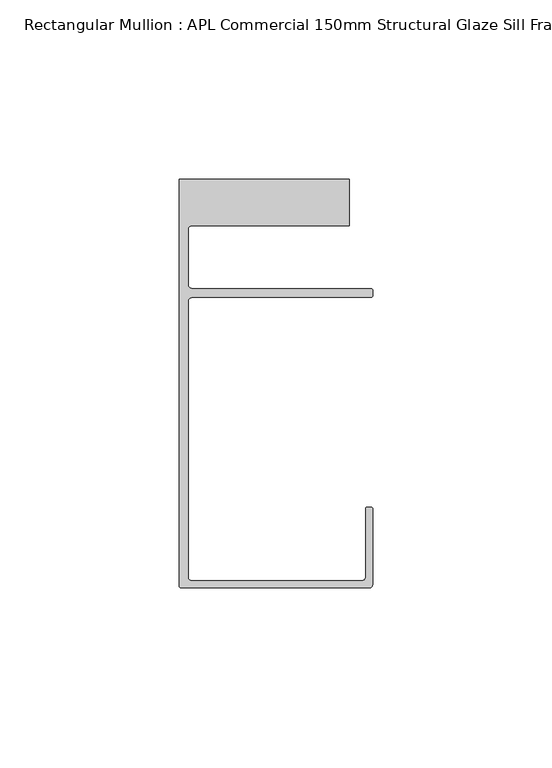
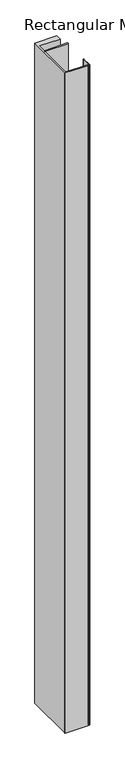
"""IFC4 building model written with IfcOpenShell, lengths in millimetres: member geometry, Rectangular Mullion : APL Commercial 150mm Structural Glaze Sill Frame (Back)."""

from ifc_helpers import new_model, si_unit, frame, origin, place, context, project, spatial, polyline, circle_curve, source, transform, mapped, element, save
from ifc_brep_helpers import plane_surface, cylinder_surface, revolved_surface, advanced_brep


def rectangular_mullion_apl_commercial_150mm_structural_glaze_9b2f5f79(model_context):
    return source(origin(), model_context, "Body", "AdvancedBrep", [
        advanced_brep(
        [(-53.5000083, -129.0001071, 0.0), (-1.0000079, -129.0001071, 0.0), (-7.9e-06, -128.0001071, 0.0), (0.0, -107.0001071, 0.0), (-0.5, -106.5001071, 0.0), (-1.4999822, -106.5001071, 0.0), (-1.9999822, -107.0001071, 0.0), (-1.9999982, -126.0001071, 0.0), (-2.9999982, -127.0001071, 0.0), (-50.5000083, -127.00011, 0.0), (-51.5000083, -126.00011, 0.0), (-51.5000225, -48.9999541, 0.0), (-50.482081, -48.000115, 0.0), (-0.5000012, -48.000115, 0.0), (-5.4e-06, -47.5021598, 0.0), (-5.4e-06, -46.0213357, 0.0), (-0.521387, -45.4999541, 0.0), (-50.500032, -45.4999541, 0.0), (-51.500032, -44.4999541, 0.0), (-51.500032, -29.0004332, 0.0), (-50.500032, -28.0004332, 0.0), (-6.5000083, -28.0004332, 0.0), (-6.5000083, -15.0004332, 0.0), (-54.0000083, -15.0004332, 0.0), (-54.0000083, -128.5001071, 0.0), (-53.5000083, -129.0001071, -1524.000019), (-54.0000083, -128.5001071, -1524.000019), (-54.0000083, -15.0004332, -1524.000019), (-6.5000083, -15.0004332, -1524.000019), (-6.5000083, -28.0004332, -1524.000019), (-50.500032, -28.0004332, -1524.000019), (-51.500032, -29.0004332, -1524.000019), (-51.500032, -44.4999541, -1524.000019), (-50.500032, -45.4999541, -1524.000019), (-0.521387, -45.4999541, -1524.000019), (-5.4e-06, -46.0213357, -1524.000019), (-5.4e-06, -47.5021598, -1524.000019), (-0.5000012, -48.000115, -1524.000019), (-50.482081, -48.000115, -1524.000019), (-51.5000225, -48.9999541, -1524.000019), (-51.5000225, -126.00011, -1524.000019), (-50.5000083, -127.00011, -1524.000019), (-2.9999982, -127.00011, -1524.000019), (-1.9999982, -126.0001071, -1524.000019), (-1.9999982, -107.0001071, -1524.000019), (-1.4999822, -106.5001071, -1524.000019), (-0.5, -106.5001071, -1524.000019), (0.0, -107.0001071, -1524.000019), (0.0, -128.0001071, -1524.000019), (-1.0000079, -129.0001071, -1524.000019)],
        [
            (0, 1),
            (1, 2, circle_curve(frame((-1.0000079, -128.0001071, 0.0), z_axis=(0.0, 0.0, 1.0), x_axis=(0.9999999999996143, -8.78371761103865e-07, 0.0)), 1.0)),
            (2, 3),
            (3, 4, circle_curve(frame((-0.5, -107.0001071, 0.0), z_axis=(0.0, 0.0, 1.0), x_axis=(0.0, 1.0, 0.0)), 0.5)),
            (4, 5),
            (5, 6, circle_curve(frame((-1.4999822, -107.0001071, 0.0), z_axis=(0.0, 0.0, 1.0), x_axis=(-1.0, 1.039279773351609e-08, 0.0)), 0.5)),
            (6, 7),
            (7, 8, circle_curve(frame((-2.9999982, -126.0001071, 0.0), z_axis=(0.0, 0.0, -1.0), x_axis=(0.0, -1.0, 0.0)), 1.0)),
            (8, 9),
            (9, 10, circle_curve(frame((-50.5000083, -126.00011, 0.0), z_axis=(0.0, 0.0, -1.0), x_axis=(-1.0, -3.636202450239078e-12, 0.0)), 1.0)),
            (10, 11),
            (11, 12, circle_curve(frame((-50.5000225, -48.9999541, 0.0), z_axis=(0.0, 0.0, -1.0), x_axis=(3.5344775231070867e-06, 0.9999999999937538, 0.0)), 1.0)),
            (12, 13),
            (13, 14, circle_curve(frame((-0.5000012, -47.500115, 0.0), z_axis=(0.0, 0.0, 1.0), x_axis=(0.9999999999999991, 4.5120271963110614e-08, 0.0)), 0.5)),
            (14, 15),
            (15, 16, circle_curve(frame((-0.521387, -46.0213357, 0.0), z_axis=(0.0, 0.0, 1.0), x_axis=(-1.0, 0.0, 0.0)), 0.5213816)),
            (16, 17),
            (17, 18, circle_curve(frame((-50.500032, -44.4999541, 0.0), z_axis=(0.0, 0.0, -1.0), x_axis=(-0.9999999999998819, -4.863123717036027e-07, 0.0)), 1.0)),
            (18, 19),
            (19, 20, circle_curve(frame((-50.500032, -29.0004332, 0.0), z_axis=(0.0, 0.0, -1.0), x_axis=(0.0, 1.0, 0.0)), 1.0)),
            (20, 21),
            (21, 22),
            (22, 23),
            (23, 24),
            (24, 0, circle_curve(frame((-53.5000083, -128.5001071, 0.0), z_axis=(0.0, 0.0, 1.0), x_axis=(0.0, -1.0, 0.0)), 0.5)),
            (25, 26, circle_curve(frame((-53.5000083, -128.5001071, -1524.000019), z_axis=(0.0, 0.0, -1.0), x_axis=(0.0, -1.0, 0.0)), 0.5)),
            (26, 27),
            (27, 28),
            (28, 29),
            (29, 30),
            (30, 31, circle_curve(frame((-50.500032, -29.0004332, -1524.000019), z_axis=(0.0, 0.0, 1.0), x_axis=(0.0, 1.0, 0.0)), 1.0)),
            (31, 32),
            (32, 33, circle_curve(frame((-50.500032, -44.4999541, -1524.000019), z_axis=(0.0, 0.0, 1.0), x_axis=(-0.9999999999998819, -4.863123717036027e-07, 0.0)), 1.0)),
            (33, 34),
            (34, 35, circle_curve(frame((-0.521387, -46.0213357, -1524.000019), z_axis=(0.0, 0.0, -1.0), x_axis=(-1.0, 0.0, 0.0)), 0.5213816)),
            (35, 36),
            (36, 37, circle_curve(frame((-0.5000012, -47.500115, -1524.000019), z_axis=(0.0, 0.0, -1.0), x_axis=(0.9999999999999991, 4.5120271963110614e-08, 0.0)), 0.5)),
            (37, 38),
            (38, 39, circle_curve(frame((-50.5000225, -48.9999541, -1524.000019), z_axis=(0.0, 0.0, 1.0), x_axis=(3.5344775231070867e-06, 0.9999999999937538, 0.0)), 1.0)),
            (39, 40),
            (40, 41, circle_curve(frame((-50.5000083, -126.00011, -1524.000019), z_axis=(0.0, 0.0, 1.0), x_axis=(-1.0, -3.636202450239078e-12, 0.0)), 1.0)),
            (41, 42),
            (42, 43, circle_curve(frame((-2.9999982, -126.0001071, -1524.000019), z_axis=(0.0, 0.0, 1.0), x_axis=(0.0, -1.0, 0.0)), 1.0)),
            (43, 44),
            (44, 45, circle_curve(frame((-1.4999822, -107.0001071, -1524.000019), z_axis=(0.0, 0.0, -1.0), x_axis=(-1.0, 1.039279773351609e-08, 0.0)), 0.5)),
            (45, 46),
            (46, 47, circle_curve(frame((-0.5, -107.0001071, -1524.000019), z_axis=(0.0, 0.0, -1.0), x_axis=(0.0, 1.0, 0.0)), 0.5)),
            (47, 48),
            (48, 49, circle_curve(frame((-1.0000079, -128.0001071, -1524.000019), z_axis=(0.0, 0.0, -1.0), x_axis=(0.9999999999996143, -8.78371761103865e-07, 0.0)), 1.0)),
            (49, 25),
            (0, 25),
            (49, 1),
            (48, 2),
            (47, 3),
            (46, 4),
            (45, 5),
            (44, 6),
            (43, 7),
            (42, 8),
            (41, 9),
            (40, 10),
            (39, 11),
            (38, 12),
            (37, 13),
            (36, 14),
            (35, 15),
            (34, 16),
            (33, 17),
            (32, 18),
            (31, 19),
            (30, 20),
            (29, 21),
            (28, 22),
            (27, 23),
            (26, 24),
        ],
        [
            plane_surface(frame((0.0, -139.6548314, 0.0), z_axis=(0.0, 0.0, 1.0), x_axis=(-1.0, 0.0, 0.0))),
            plane_surface(frame((0.0, -139.6548314, -1524.000019), z_axis=(0.0, 0.0, -1.0), x_axis=(-1.0, 0.0, 0.0))),
            plane_surface(frame((-53.5000083, -129.0001071, 0.0), z_axis=(0.0, -1.0, 0.0), x_axis=(0.0, 0.0, -1.0))),
            cylinder_surface(frame((-1.0000079, -128.0001071, 0.0), z_axis=(0.0, 0.0, 1.0000000000000002), x_axis=(0.9999999999996143, -8.78371761103865e-07, 0.0)), 1.0),
            plane_surface(frame((0.0, -128.0001071, 0.0), z_axis=(1.0, 0.0, 0.0), x_axis=(0.0, 0.0, -1.0))),
            cylinder_surface(frame((-0.5, -107.0001071, 0.0), z_axis=(0.0, 0.0, 1.0), x_axis=(0.0, 1.0, 0.0)), 0.5),
            plane_surface(frame((-0.5, -106.5001071, 0.0), z_axis=(0.0, 1.0, 0.0), x_axis=(0.0, 0.0, -1.0))),
            cylinder_surface(frame((-1.4999822, -107.0001071, 0.0), z_axis=(0.0, 0.0, 1.0), x_axis=(-1.0, 1.039279773351609e-08, 0.0)), 0.5),
            plane_surface(frame((-1.9999982, -107.0001071, 0.0), z_axis=(-1.0, 0.0, 0.0), x_axis=(0.0, 0.0, -1.0))),
            revolved_surface(polyline([(-2.9999982, -127.0001071, -1524.000019), (-2.9999982, -127.0001071, 0.0)]), (-2.9999982, -126.0001071, 0.0), (0.0, 0.0, -1.0)),
            plane_surface(frame((-2.9999982, -127.00011, 0.0), z_axis=(0.0, 1.0, 0.0), x_axis=(0.0, 0.0, -1.0))),
            revolved_surface(polyline([(-51.5000083, -126.00011000000364, -1524.000019), (-51.5000083, -126.00011000000364, 0.0)]), (-50.5000083, -126.00011, 0.0), (0.0, 0.0, -1.0)),
            plane_surface(frame((-51.5000225, -126.00011, 0.0), z_axis=(1.0, 0.0, 0.0), x_axis=(0.0, 0.0, -1.0))),
            revolved_surface(polyline([(-50.50001896552248, -47.99995410000624, -1524.000019), (-50.50001896552248, -47.99995410000624, 0.0)]), (-50.5000225, -48.9999541, 0.0), (0.0, 0.0, -1.0)),
            plane_surface(frame((-50.482081, -48.000115, 0.0), z_axis=(0.0, -1.0, 0.0), x_axis=(0.0, 0.0, -1.0))),
            cylinder_surface(frame((-0.5000012, -47.500115, 0.0), z_axis=(0.0, 0.0, 1.0000000000000002), x_axis=(0.9999999999999991, 4.5120271963110614e-08, 0.0)), 0.5),
            plane_surface(frame((-5.4e-06, -47.5021598, 0.0), z_axis=(1.0, 0.0, 0.0), x_axis=(0.0, 0.0, -1.0))),
            cylinder_surface(frame((-0.521387, -46.0213357, 0.0), z_axis=(0.0, 0.0, 1.0), x_axis=(-1.0, 0.0, 0.0)), 0.5213816),
            plane_surface(frame((-0.521387, -45.4999541, 0.0), z_axis=(0.0, 1.0, 0.0), x_axis=(0.0, 0.0, -1.0))),
            revolved_surface(polyline([(-51.50003199999988, -44.49995458631237, -1524.0000190000005), (-51.50003199999988, -44.49995458631237, 0.0)]), (-50.500032, -44.4999541, 0.0), (0.0, 0.0, -1.0000000000000002)),
            plane_surface(frame((-51.500032, -44.4999541, 0.0), z_axis=(1.0, 0.0, 0.0), x_axis=(0.0, 0.0, -1.0))),
            revolved_surface(polyline([(-50.500032, -28.0004332, -1524.000019), (-50.500032, -28.0004332, 0.0)]), (-50.500032, -29.0004332, 0.0), (0.0, 0.0, -1.0)),
            plane_surface(frame((-50.500032, -28.0004332, 0.0), z_axis=(0.0, -1.0, 0.0), x_axis=(0.0, 0.0, -1.0))),
            plane_surface(frame((-6.5000083, -28.0004332, 0.0), z_axis=(1.0, 0.0, 0.0), x_axis=(0.0, 0.0, -1.0))),
            plane_surface(frame((-6.5000083, -15.0004332, 0.0), z_axis=(0.0, 1.0, 0.0), x_axis=(0.0, 0.0, -1.0))),
            plane_surface(frame((-54.0000083, -15.0004332, 0.0), z_axis=(-1.0, 0.0, 0.0), x_axis=(0.0, 0.0, -1.0))),
            cylinder_surface(frame((-53.5000083, -128.5001071, 0.0), z_axis=(0.0, 0.0, 1.0), x_axis=(0.0, -1.0, 0.0)), 0.5),
        ],
        [
            (0, [[1, 2, 3, 4, 5, 6, 7, 8, 9, 10, 11, 12, 13, 14, 15, 16, 17, 18, 19, 20, 21, 22, 23, 24, 25]]),
            (1, [[26, 27, 28, 29, 30, 31, 32, 33, 34, 35, 36, 37, 38, 39, 40, 41, 42, 43, 44, 45, 46, 47, 48, 49, 50]]),
            (2, [[-1, 51, -50, 52]]),
            (3, [[-2, -52, -49, 53]]),
            (4, [[-3, -53, -48, 54]]),
            (5, [[-4, -54, -47, 55]]),
            (6, [[-5, -55, -46, 56]]),
            (7, [[-6, -56, -45, 57]]),
            (8, [[-7, -57, -44, 58]]),
            (9, [[-8, -58, -43, 59]]),
            (10, [[-9, -59, -42, 60]]),
            (11, [[-10, -60, -41, 61]]),
            (12, [[-11, -61, -40, 62]]),
            (13, [[-12, -62, -39, 63]]),
            (14, [[-13, -63, -38, 64]]),
            (15, [[-14, -64, -37, 65]]),
            (16, [[-15, -65, -36, 66]]),
            (17, [[-16, -66, -35, 67]]),
            (18, [[-17, -67, -34, 68]]),
            (19, [[-18, -68, -33, 69]]),
            (20, [[-19, -69, -32, 70]]),
            (21, [[-20, -70, -31, 71]]),
            (22, [[-21, -71, -30, 72]]),
            (23, [[-22, -72, -29, 73]]),
            (24, [[-23, -73, -28, 74]]),
            (25, [[-24, -74, -27, 75]]),
            (26, [[-25, -75, -26, -51]]),
        ],
    ),
    ])


if __name__ == "__main__":
    model = new_model("IFC4")
    model_context = context("Model", 3, world=origin())
    ifc_project = project(units=[si_unit("LENGTHUNIT", "METRE", prefix="MILLI")], contexts=[model_context])
    site = spatial("IfcSite", under=ifc_project)
    building = spatial("IfcBuilding", under=site)
    placement = place(None, origin())
    rectangular_mullion_apl_commercial_150mm_structural_glaze_shape = rectangular_mullion_apl_commercial_150mm_structural_glaze_9b2f5f79(model_context)
    element("IfcMember", 1, ObjectType="Rectangular Mullion : APL Commercial 150mm Structural Glaze Sill Frame (Back)", at=placement, inside=building, context=model_context, shape_type="MappedRepresentation", body=[
        mapped(rectangular_mullion_apl_commercial_150mm_structural_glaze_shape, transform((0.0, 0.0, 0.0), x_axis=(1.0, 0.0, 0.0), y_axis=(0.0, 1.0, 0.0), z_axis=(0.0, 0.0, 1.0))),
    ])
    save(model, "model.ifc")
